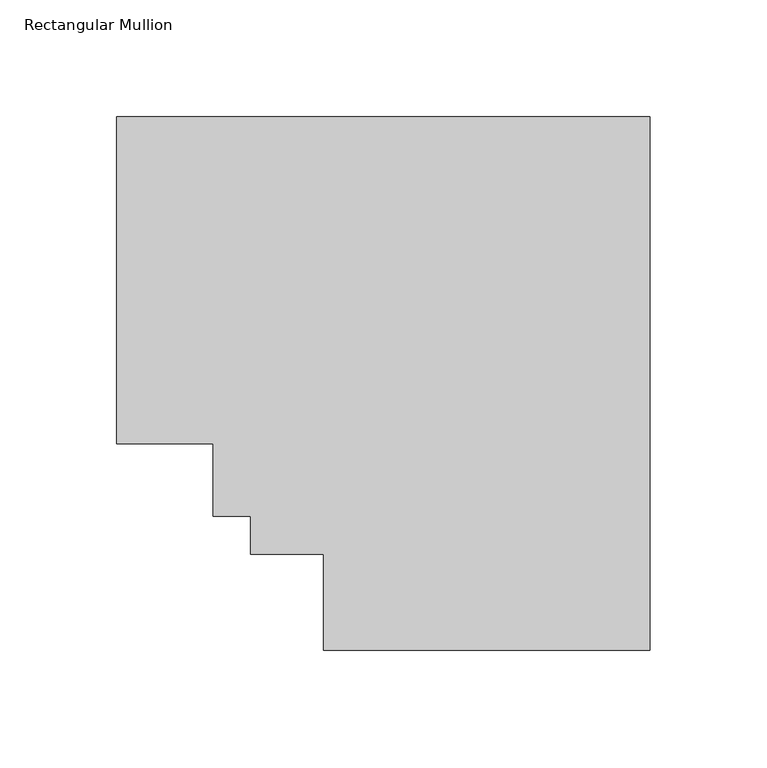
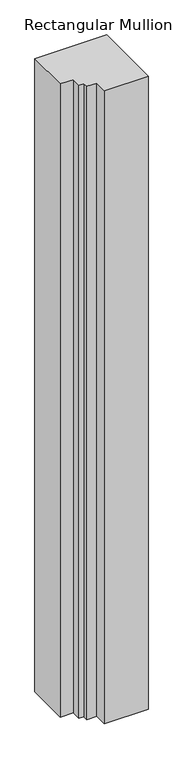
"""IFC4 building model written with IfcOpenShell, lengths in millimetres: member geometry, Rectangular Mullion."""

from ifc_helpers import new_model, si_unit, frame, origin, place, context, project, spatial, polyline, outline, extrude, source, transform, mapped, element, save


def rectangular_mullion_5d12a4f4(model_context):
    return source(origin(), model_context, "Body", "SweptSolid", [
        extrude(outline(polyline([(-228.5662788, 190.7972494), (0.0, 190.7972494), (0.0, -37.7690294), (-139.9769715, -37.7690294), (-139.9769715, 3.5059706), (-171.2189715, 3.5059706), (-171.2189715, 19.578278), (-187.2912788, 19.578278), (-187.2912788, 50.820278), (-228.5662788, 50.820278), (-228.5662788, 190.7972494)])), frame((0.0, 0.0, -2133.6), z_axis=(0.0, 0.0, 1.0), x_axis=(1.0, 0.0, 0.0)), (0.0, 0.0, 1.0), 2133.6),
    ])


if __name__ == "__main__":
    model = new_model("IFC4")
    model_context = context("Model", 3, world=origin())
    ifc_project = project(units=[si_unit("LENGTHUNIT", "METRE", prefix="MILLI")], contexts=[model_context])
    site = spatial("IfcSite", under=ifc_project)
    building = spatial("IfcBuilding", under=site)
    placement = place(None, origin())
    rectangular_mullion_shape = rectangular_mullion_5d12a4f4(model_context)
    element("IfcMember", 1, ObjectType="Rectangular Mullion", at=placement, inside=building, context=model_context, shape_type="MappedRepresentation", body=[
        mapped(rectangular_mullion_shape, transform((0.0, 0.0, 0.0), x_axis=(1.0, 0.0, 0.0), y_axis=(0.0, 1.0, 0.0), z_axis=(0.0, 0.0, 1.0))),
    ])
    save(model, "model.ifc")
